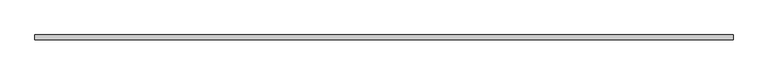
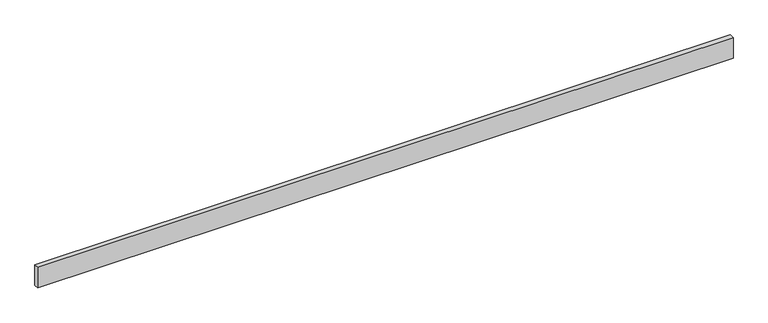
"""IFC4 building model written with IfcOpenShell, lengths in millimetres: beam geometry."""

from ifc_helpers import new_model, si_unit, frame, origin, place, context, project, spatial, polyline, outline, extrude, source, transform, mapped, element, save


def beam_2ba6ea82(model_context):
    return source(origin(), model_context, "Body", "SweptSolid", [
        extrude(outline(polyline([(-3217.0, 22.5), (3217.0, 22.5), (3217.0, -22.5), (-3217.0, -22.5), (-3217.0, 22.5)])), frame((0.0, 0.0, -100.0), z_axis=(0.0, 0.0, 1.0), x_axis=(1.0, 0.0, 0.0)), (0.0, 0.0, 1.0), 200.0),
    ])


if __name__ == "__main__":
    model = new_model("IFC4")
    model_context = context("Model", 3, world=origin())
    ifc_project = project(units=[si_unit("LENGTHUNIT", "METRE", prefix="MILLI")], contexts=[model_context])
    site = spatial("IfcSite", under=ifc_project)
    building = spatial("IfcBuilding", under=site)
    placement = place(None, origin())
    beam_shape = beam_2ba6ea82(model_context)
    element("IfcBeam", 1, at=placement, inside=building, context=model_context, shape_type="MappedRepresentation", body=[
        mapped(beam_shape, transform((0.0, 0.0, 0.0), x_axis=(1.0, 0.0, 0.0), y_axis=(0.0, 1.0, 0.0), z_axis=(0.0, 0.0, 1.0))),
    ])
    save(model, "model.ifc")
